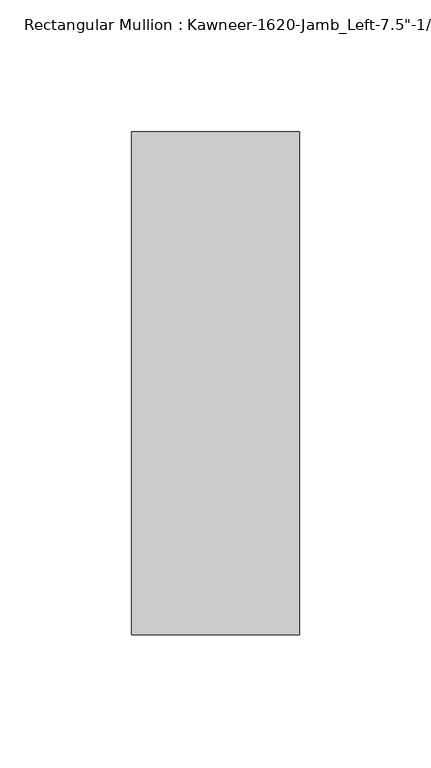
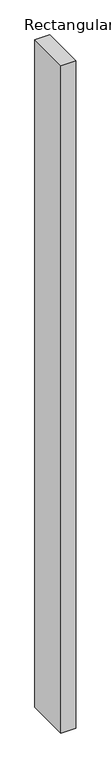
"""IFC4 building model written with IfcOpenShell, lengths in millimetres: member geometry."""

from ifc_helpers import new_model, si_unit, frame, origin, place, context, project, spatial, polyline, outline, extrude, source, transform, mapped, element, save


def member_420869f8(model_context):
    return source(origin(), model_context, "Body", "SweptSolid", [
        extrude(outline(polyline([(-63.5, 28.575), (0.0, 28.575), (0.0, -161.925), (-63.5, -161.925), (-63.5, 28.575)])), frame((0.0, 0.0, -2984.5), z_axis=(0.0, 0.0, 1.0), x_axis=(1.0, 0.0, 0.0)), (0.0, 0.0, 1.0), 2984.5),
    ])


if __name__ == "__main__":
    model = new_model("IFC4")
    model_context = context("Model", 3, world=origin())
    ifc_project = project(units=[si_unit("LENGTHUNIT", "METRE", prefix="MILLI")], contexts=[model_context])
    site = spatial("IfcSite", under=ifc_project)
    building = spatial("IfcBuilding", under=site)
    placement = place(None, origin())
    member_shape = member_420869f8(model_context)
    element("IfcMember", 1, ObjectType="Rectangular Mullion : Kawneer-1620-Jamb_Left-7.5\"-1/4\"Infill", at=placement, inside=building, context=model_context, shape_type="MappedRepresentation", body=[
        mapped(member_shape, transform((0.0, 0.0, 0.0), x_axis=(1.0, 0.0, 0.0), y_axis=(0.0, 1.0, 0.0), z_axis=(0.0, 0.0, 1.0))),
    ])
    save(model, "model.ifc")
